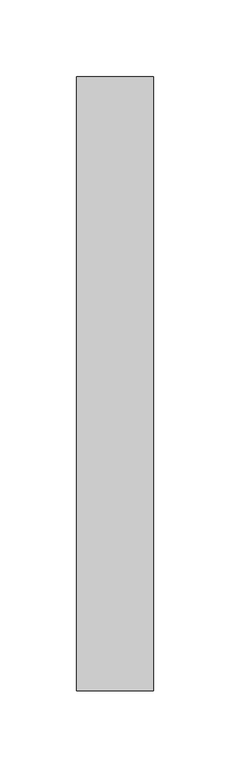
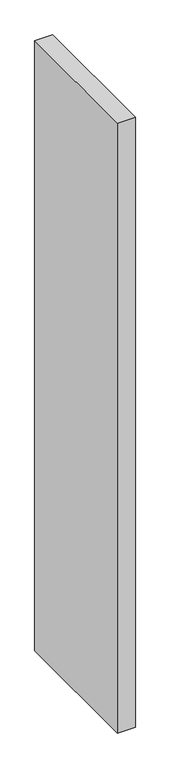
"""IFC4 building model written with IfcOpenShell, lengths in millimetres: proxy geometry."""

from ifc_helpers import new_model, si_unit, origin, origin_with_axes, place, context, project, spatial, polyline, outline, extrude, source, transform, mapped, element, save


def generic_models_c38b29f5(model_context):
    return source(origin(), model_context, "Body", "SweptSolid", [
        extrude(outline(polyline([(0.0, 400.0), (50.0, 400.0), (50.0, 0.0), (0.0, 0.0), (0.0, 400.0)])), origin_with_axes(), (0.0, 0.0, 1.0), 1800.0),
    ])


if __name__ == "__main__":
    model = new_model("IFC4")
    model_context = context("Model", 3, world=origin())
    ifc_project = project(units=[si_unit("LENGTHUNIT", "METRE", prefix="MILLI")], contexts=[model_context])
    site = spatial("IfcSite", under=ifc_project)
    building = spatial("IfcBuilding", under=site)
    placement = place(None, origin())
    generic_models_shape = generic_models_c38b29f5(model_context)
    element("IfcBuildingElementProxy", 1, Name="Generic Models", at=placement, inside=building, context=model_context, shape_type="MappedRepresentation", body=[
        mapped(generic_models_shape, transform((0.0, 0.0, 0.0), x_axis=(1.0, 0.0, 0.0), y_axis=(0.0, 1.0, 0.0), z_axis=(0.0, 0.0, 1.0))),
    ])
    save(model, "model.ifc")
